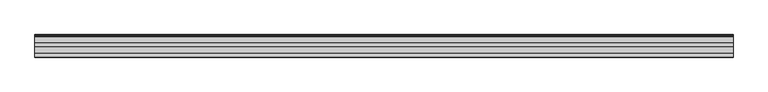
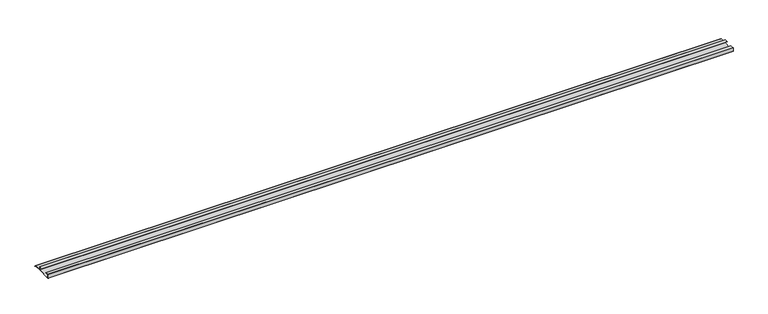
"""IFC4 building model written with IfcOpenShell, lengths in millimetres: furniture geometry."""

from ifc_helpers import new_model, si_unit, frame, origin, place, context, project, spatial, polyline, outline, extrude, source, transform, mapped, element, save


def furniture_542c71b4(model_context):
    return source(origin(), model_context, "Body", "SweptSolid", [
        extrude(outline(polyline([(-16.1532518, 512.3076998), (-16.9376349, 511.8893742), (-18.5259585, 513.5599489), (-20.7474799, 514.175282), (-21.763438, 516.2072074), (-45.0034802, 516.2072074), (-92.6265287, 514.175282), (-93.3884975, 514.9372508), (-93.3884975, 527.3675), (-92.5947475, 528.16125), (-80.6890189, 528.16125), (-80.6890189, 527.3675), (-92.6265287, 527.3675), (-92.6265287, 514.9372631), (-45.0034802, 517.0009574), (-45.0034802, 527.3675), (-56.9409919, 527.3675), (-56.9409919, 528.16125), (-45.0352673, 528.16125), (-44.2415173, 527.3675), (-44.2415173, 517.0009574), (-21.763438, 517.0009574), (-20.7474799, 515.1912447), (-18.0685872, 514.3222207), (-16.1532518, 512.3076998)])), frame((-1172.3345592, 0.0, 0.0), z_axis=(1.0, 0.0, 0.0), x_axis=(0.0, 1.0, 0.0)), (0.0, 0.0, 1.0), 2383.6122),
    ])


if __name__ == "__main__":
    model = new_model("IFC4")
    model_context = context("Model", 3, world=origin())
    ifc_project = project(units=[si_unit("LENGTHUNIT", "METRE", prefix="MILLI")], contexts=[model_context])
    site = spatial("IfcSite", under=ifc_project)
    building = spatial("IfcBuilding", under=site)
    placement = place(None, origin())
    furniture_shape = furniture_542c71b4(model_context)
    element("IfcFurniture", 1, at=placement, inside=building, context=model_context, shape_type="MappedRepresentation", body=[
        mapped(furniture_shape, transform((0.0, 0.0, 0.0), x_axis=(1.0, 0.0, 0.0), y_axis=(0.0, 1.0, 0.0), z_axis=(0.0, 0.0, 1.0))),
    ])
    save(model, "model.ifc")
